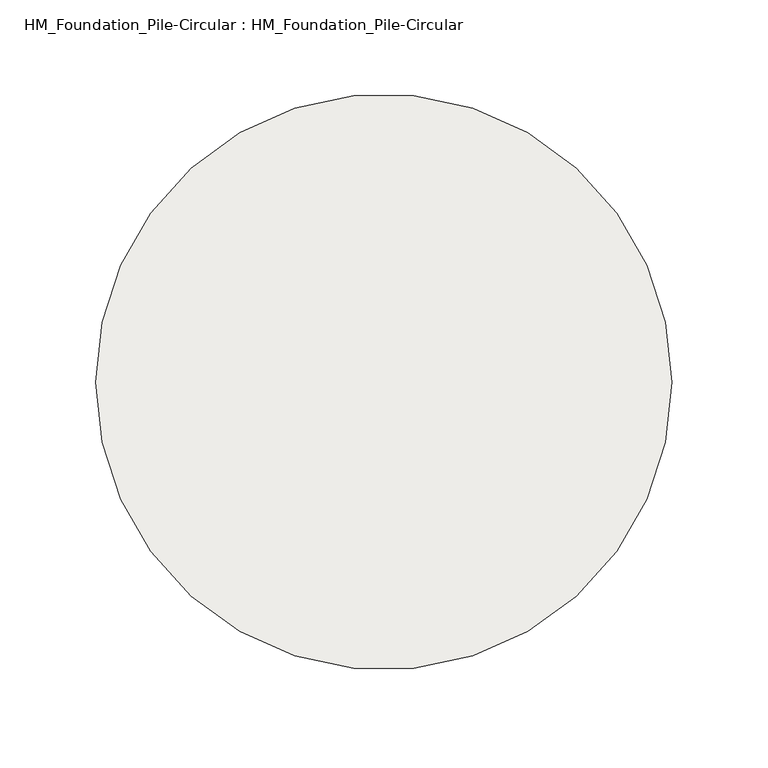
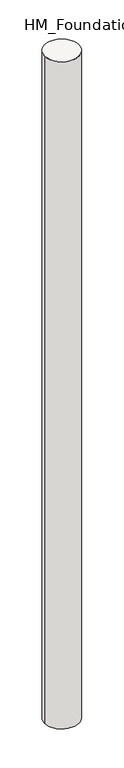
"""IFC4 building model written with IfcOpenShell, lengths in millimetres: slab geometry, HM_Foundation_Pile-Circular : HM_Foundation_Pile-Circular."""

from ifc_helpers import new_model, si_unit, point, frame, origin, origin_2d, place, context, project, spatial, circle_curve, trimmed, segment, composite_curve, outline, extrude, source, transform, mapped, element, save


def hm_foundation_pile_circular_hm_foundation_pile_circular_1da6381f(model_context):
    return source(origin(), model_context, "Body", "SweptSolid", [
        extrude(outline(composite_curve([segment(trimmed(circle_curve(origin_2d(), 150.0), [point((150.0, 0.0))], [point((-150.0, 0.0))], False, "CARTESIAN"), True, "CONTINUOUS"), segment(trimmed(circle_curve(origin_2d(), 150.0), [point((-150.0, 0.0))], [point((150.0, 0.0))], False, "CARTESIAN"), True, "CONTINUOUS")], self_intersect=False)), frame((0.0, 0.0, -6000.0), z_axis=(0.0, 0.0, 1.0), x_axis=(1.0, 0.0, 0.0)), (0.0, 0.0, 1.0), 6150.0),
    ])


if __name__ == "__main__":
    model = new_model("IFC4")
    model_context = context("Model", 3, world=origin())
    ifc_project = project(units=[si_unit("LENGTHUNIT", "METRE", prefix="MILLI")], contexts=[model_context])
    site = spatial("IfcSite", under=ifc_project)
    building = spatial("IfcBuilding", under=site)
    placement = place(None, origin())
    hm_foundation_pile_circular_hm_foundation_pile_circular_shape = hm_foundation_pile_circular_hm_foundation_pile_circular_1da6381f(model_context)
    element("IfcSlab", 1, ObjectType="HM_Foundation_Pile-Circular : HM_Foundation_Pile-Circular", at=placement, inside=building, context=model_context, shape_type="MappedRepresentation", body=[
        mapped(hm_foundation_pile_circular_hm_foundation_pile_circular_shape, transform((0.0, 0.0, 0.0), x_axis=(1.0, 0.0, 0.0), y_axis=(0.0, 1.0, 0.0), z_axis=(0.0, 0.0, 1.0))),
    ])
    save(model, "model.ifc")
